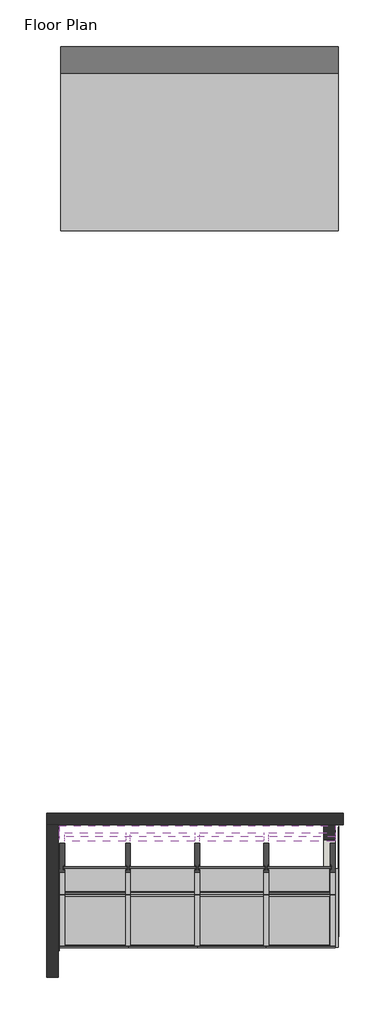
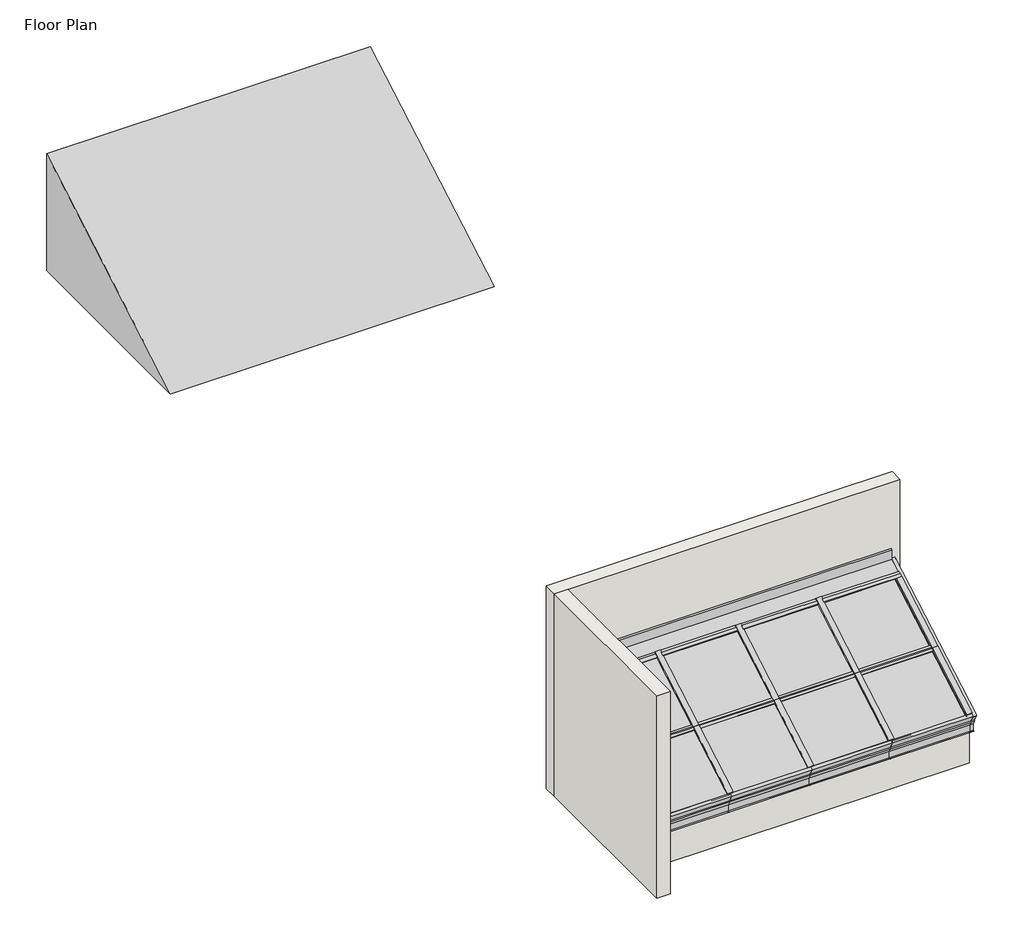
# One storey: 22 members, 8 plates, 6 proxies, 4 walls.
"""IFC4 building model written with IfcOpenShell, lengths in millimetres."""

import ifcopenshell
import ifcopenshell.guid

model = None  # the IFC model being written
_history = None  # IfcOwnerHistory: only IFC2X3 demands one
_inside = {}  # id of a spatial element -> (the spatial element, [elements in it])
_under = {}  # id of a project, library or spatial element -> (it, [spatial elements below it])
_declared = {}  # id of a project -> (the project, [libraries it declares])
_typed = {}  # id of a type object -> (the type object, [elements of that type])
_made_of = {}  # id of a material, layer set ... -> (it, [elements and type objects made of it])


def new_model(schema):
    """Start an empty IFC model of exactly this schema.

    Asked for "IFC4X3", IfcOpenShell would pick the latest addendum, in which some entities
    have other attributes; the version numbers below select the first issue.
    IFC2X3 requires an IfcOwnerHistory on every rooted entity: one is made here for all.
    """
    global model, _history
    if schema == "IFC4X3":
        model = ifcopenshell.file(schema_version=(4, 3, 0, 0))
    else:
        model = ifcopenshell.file(schema=schema)
    _inside.clear()
    _under.clear()
    _declared.clear()
    _typed.clear()
    _made_of.clear()
    _history = None
    if model.schema == "IFC2X3":
        org = make("IfcOrganization", Name="unknown")
        user = make(
            "IfcPersonAndOrganization",
            ThePerson=make("IfcPerson", FamilyName="unknown"),
            TheOrganization=org,
        )
        app = make(
            "IfcApplication",
            ApplicationDeveloper=org,
            Version="unknown",
            ApplicationFullName="unknown",
            ApplicationIdentifier="unknown",
        )
        _history = make(
            "IfcOwnerHistory",
            OwningUser=user,
            OwningApplication=app,
            ChangeAction="ADDED",
            CreationDate=0,
        )
    return model


def make(cls, **values):
    """One entity of the class cls with the attributes given. An attribute that is None is left unset."""
    return model.create_entity(
        cls, **{name: value for name, value in values.items() if value is not None}
    )


def rooted(cls, **values):
    """An entity with a GlobalId (a new one), such as an element, a storey or a relation."""
    return make(cls, GlobalId=ifcopenshell.guid.new(), OwnerHistory=_history, **values)


def si_unit(unit_type, name, prefix=None):
    """IfcSIUnit, for example si_unit("LENGTHUNIT", "METRE", prefix="MILLI")."""
    return make("IfcSIUnit", UnitType=unit_type, Prefix=prefix, Name=name)


def assignment(units):
    """IfcUnitAssignment: the units of a project."""
    return None if units is None else make("IfcUnitAssignment", Units=units)


def point(xyz):
    """IfcCartesianPoint."""
    return None if xyz is None else make("IfcCartesianPoint", Coordinates=xyz)


def direction(xyz):
    """IfcDirection."""
    return None if xyz is None else make("IfcDirection", DirectionRatios=xyz)


def frame(location, z_axis=None, x_axis=None):
    """IfcAxis2Placement3D, a coordinate frame: its origin and axes. An axis left out is left unset."""
    return make(
        "IfcAxis2Placement3D",
        Location=point(location),
        Axis=direction(z_axis),
        RefDirection=direction(x_axis),
    )


def origin():
    """The frame at (0, 0, 0) with its axes left unset."""
    return frame((0.0, 0.0, 0.0))


def origin_with_axes():
    """The frame at (0, 0, 0) with the z axis (0, 0, 1) and the x axis (1, 0, 0) written out."""
    return frame((0.0, 0.0, 0.0), z_axis=(0.0, 0.0, 1.0), x_axis=(1.0, 0.0, 0.0))


def place(relative_to, where):
    """IfcLocalPlacement: puts the frame where relative to a parent placement (None: the world)."""
    return make(
        "IfcLocalPlacement", PlacementRelTo=relative_to, RelativePlacement=where
    )


def context(
    kind, dimensions, precision=None, world=None, true_north=None, identifier=None
):
    """IfcGeometricRepresentationContext, for example the 3D "Model" context."""
    return make(
        "IfcGeometricRepresentationContext",
        ContextIdentifier=identifier,
        ContextType=kind,
        CoordinateSpaceDimension=dimensions,
        Precision=precision,
        WorldCoordinateSystem=world,
        TrueNorth=true_north,
    )


def project(units=None, contexts=None):
    """IfcProject with its units and contexts."""
    return rooted(
        "IfcProject",
        Name="project",
        RepresentationContexts=contexts,
        UnitsInContext=assignment(units),
    )


def spatial(cls, under=None, at=None, **own):
    """A site, building, storey or space (cls), placed at a placement, below another one or the project."""
    s = rooted(cls, ObjectPlacement=at, **own)
    if under is not None:
        _under.setdefault(under.id(), (under, []))[1].append(s)
    return s


def polyline(points):
    """IfcPolyline through the points."""
    return make("IfcPolyline", Points=[point(p) for p in points])


def outline(outer, holes=None, kind="AREA"):
    """IfcArbitraryClosedProfileDef: a profile drawn as a closed curve; with holes, ...WithVoids."""
    if holes is None:
        return make("IfcArbitraryClosedProfileDef", ProfileType=kind, OuterCurve=outer)
    return make(
        "IfcArbitraryProfileDefWithVoids",
        ProfileType=kind,
        OuterCurve=outer,
        InnerCurves=holes,
    )


def extrude(swept, where, along, depth):
    """IfcExtrudedAreaSolid: the profile swept, set in the frame where, extruded along a direction by depth."""
    return make(
        "IfcExtrudedAreaSolid",
        SweptArea=swept,
        Position=where,
        ExtrudedDirection=direction(along),
        Depth=depth,
    )


def faces_of(points, faces, orient=None, outer=None):
    """IfcFace entities. A face is a list of loops; a loop is a list of indices into points, from 0.

    orient and outer hold one flag for each loop. By default every Orientation is true, the
    first loop of a face is its IfcFaceOuterBound and the others are IfcFaceBound.
    """
    made = []
    for i, loops in enumerate(faces):
        bounds = []
        for j, loop in enumerate(loops):
            is_outer = j == 0 if outer is None else outer[i][j]
            bounds.append(
                make(
                    "IfcFaceOuterBound" if is_outer else "IfcFaceBound",
                    Bound=make("IfcPolyLoop", Polygon=[points[k] for k in loop]),
                    Orientation=True if orient is None else orient[i][j],
                )
            )
        made.append(make("IfcFace", Bounds=bounds))
    return made


def faceted_brep(points, faces, orient=None, outer=None, voids=None):
    """IfcFacetedBrep: a solid bounded by flat faces; with voids (closed shells), ...WithVoids."""
    shared = [point(p) for p in points]
    hull = make("IfcClosedShell", CfsFaces=faces_of(shared, faces, orient, outer))
    if voids is None:
        return make("IfcFacetedBrep", Outer=hull)
    return make(
        "IfcFacetedBrepWithVoids",
        Outer=hull,
        Voids=[
            make(cls, CfsFaces=faces_of(shared, fs, o, b)) for cls, fs, o, b in voids
        ],
    )


def shape(context_of_items, identifier, shape_type, items):
    """IfcShapeRepresentation: the items that make up one representation, for example the "Body"."""
    return make(
        "IfcShapeRepresentation",
        ContextOfItems=context_of_items,
        RepresentationIdentifier=identifier,
        RepresentationType=shape_type,
        Items=items,
    )


def source(mapping_origin, context_of_items, identifier, shape_type, items):
    """IfcRepresentationMap: a shape defined once, which mapped items show again and again."""
    return make(
        "IfcRepresentationMap",
        MappingOrigin=mapping_origin,
        MappedRepresentation=shape(context_of_items, identifier, shape_type, items),
    )


def transform(
    local_origin,
    x_axis=None,
    y_axis=None,
    z_axis=None,
    scale=None,
    scale2=None,
    scale3=None,
    uniform=True,
):
    """IfcCartesianTransformationOperator3D, or its non-uniform kind. x_axis, y_axis, z_axis: its Axis1, 2, 3."""
    if uniform:
        return make(
            "IfcCartesianTransformationOperator3D",
            Axis1=direction(x_axis),
            Axis2=direction(y_axis),
            LocalOrigin=point(local_origin),
            Scale=scale,
            Axis3=direction(z_axis),
        )
    return make(
        "IfcCartesianTransformationOperator3DnonUniform",
        Axis1=direction(x_axis),
        Axis2=direction(y_axis),
        LocalOrigin=point(local_origin),
        Scale=scale,
        Axis3=direction(z_axis),
        Scale2=scale2,
        Scale3=scale3,
    )


def mapped(mapping_source, mapping_target):
    """IfcMappedItem: shows the shape of a source again, moved by a transform."""
    return make(
        "IfcMappedItem", MappingSource=mapping_source, MappingTarget=mapping_target
    )


def made_of(thing, what):
    """Note that an element or type object is made of a material, layer set ...; save() writes the relation."""
    if what is not None:
        _made_of.setdefault(what.id(), (what, []))[1].append(thing)
    return thing


def element(
    cls,
    number,
    at=None,
    inside=None,
    cuts=None,
    type_object=None,
    material=None,
    context=None,
    identifier="Body",
    shape_type=None,
    held_by="IfcProductDefinitionShape",
    body=None,
    shapes=None,
    **own,
):
    """One element of the class cls, such as IfcWall. Its Tag is "e" and its number.

    at: its placement. inside: the storey or other place that contains it. cuts: it is an
    opening in that element (IfcRelVoidsElement). A single representation is given by context,
    identifier, shape_type and body (its items); several are given by shapes. held_by: the class
    of the entity that holds the representations. save() writes the other relations.
    """
    e = rooted(cls, Tag="e%d" % number, ObjectPlacement=at, **own)
    if body is not None:
        shapes = [shape(context, identifier, shape_type, body)]
    if shapes is not None:
        e.Representation = make(held_by, Representations=shapes)
    if inside is not None:
        _inside.setdefault(inside.id(), (inside, []))[1].append(e)
    if cuts is not None:
        rooted(
            "IfcRelVoidsElement", RelatingBuildingElement=cuts, RelatedOpeningElement=e
        )
    if type_object is not None:
        _typed.setdefault(type_object.id(), (type_object, []))[1].append(e)
    return made_of(e, material)


def aggregate(whole, parts):
    """IfcRelAggregates: a whole, such as a stair, and the parts it consists of."""
    return rooted("IfcRelAggregates", RelatingObject=whole, RelatedObjects=parts)


def save(model, path):
    """Write the relations noted so far, then the file.

    IfcRelAggregates (storeys below a building ...), IfcRelContainedInSpatialStructure (elements
    in a storey), IfcRelDefinesByType, IfcRelAssociatesMaterial and IfcRelDeclares: one each for
    every whole, place, type object, material and project.
    """
    for whole, parts in _under.values():
        aggregate(whole, parts)
    for where, things in _inside.values():
        rooted(
            "IfcRelContainedInSpatialStructure",
            RelatedElements=things,
            RelatingStructure=where,
        )
    for kind, things in _typed.values():
        rooted("IfcRelDefinesByType", RelatedObjects=things, RelatingType=kind)
    for what, things in _made_of.values():
        rooted("IfcRelAssociatesMaterial", RelatedObjects=things, RelatingMaterial=what)
    for by, libraries in _declared.values():
        rooted("IfcRelDeclares", RelatingContext=by, RelatedDefinitions=libraries)
    model.write(path)


def end_rafter_1_end_rafter_1_416929cb(model_context):
    return source(origin(), model_context, "Body", "Brep", [
        faceted_brep([(12038.6774557, -13726.1374876, 602.0717491), (11997.4768877, -13726.1374876, 602.0717491), (11997.4768877, -13725.3422981, 600.6944404), (12037.1271862, -13725.3422981, 600.6944404), (12037.1271862, -13590.2438687, 366.6970966), (12046.6038731, -13585.5055253, 358.4900451), (12047.7096289, -13586.0584032, 359.4476577), (12038.6774557, -13590.5744898, 367.2697492), (12038.6774557, -12118.3146568, 1530.3486933), (11997.4768877, -12118.3146568, 1530.3486933), (11997.4768877, -12118.3146568, 1528.5122817), (12037.1271862, -12118.3146568, 1528.5122817), (12037.1271862, -12118.3146568, 1216.5158234), (12046.6038731, -12118.3146568, 1205.573088), (12047.7096289, -12118.3146568, 1206.8499048), (12038.6774557, -12118.3146568, 1217.2793601)], [[[0, 1, 2, 3, 4, 5, 6, 7]], [[1, 0, 8, 9]], [[2, 1, 9, 10]], [[3, 2, 10, 11]], [[4, 3, 11, 12]], [[5, 4, 12, 13]], [[6, 5, 13, 14]], [[7, 6, 14, 15]], [[0, 7, 15, 8]], [[9, 8, 15, 14, 13, 12, 11, 10]]]),
    ])


def generic_models_1_generic_models_1_16edd065(model_context):
    return source(origin(), model_context, "Body", "SweptSolid", [
        extrude(outline(polyline([(-12256.8626701, 1450.731173), (-12305.3732572, 1534.7539746), (-12119.3068443, 1642.1794682), (-12119.3068443, 1530.1490661), (-12256.8626701, 1450.731173)])), frame((8339.8768877, 0.0, 0.0), z_axis=(1.0, 0.0, 0.0), x_axis=(0.0, 1.0, 0.0)), (0.0, 0.0, 1.0), 1.5748),
    ])


def generic_models_2_generic_models_2_2be81683(model_context):
    return source(origin(), model_context, "Body", "SweptSolid", [
        extrude(outline(polyline([(-12209.8155637, 1369.2431945), (-12256.9236171, 1450.8367363), (-12129.4113439, 1524.4559816), (-12129.4113439, 1638.6220886), (-12119.3068443, 1648.7265883), (-12119.3068443, 1333.5102694), (-12228.0720034, 1270.7146755), (-12266.1719937, 1336.7057945), (-12209.8155637, 1369.2431945)])), frame((8341.4516877, 0.0, 0.0), z_axis=(1.0, 0.0, 0.0), x_axis=(0.0, 1.0, 0.0)), (0.0, 0.0, 1.0), 3656.0252),
    ])


def generic_models_4_generic_models_4_59320cc0(model_context):
    return source(origin(), model_context, "Body", "SweptSolid", [
        extrude(outline(polyline([(0.0, -1.5748), (0.0, 0.0), (31.7499999, 0.0), (31.7499999, -1.5748), (0.0, -1.5748)])), frame((8339.8768877, -13730.3440967, 609.3578098), z_axis=(0.0, -0.5000000000000033, 0.8660254037844368), x_axis=(0.0, 0.8660254037844368, 0.5000000000000033)), (0.0, 0.0, 1.0), 88.9311676),
    ])


def sill_1_sill_1_649b32d0(model_context):
    return source(origin(), model_context, "Body", "SweptSolid", [
        extrude(outline(polyline([(-13651.9207902, 537.0246583), (-13679.4170967, 521.1496583), (-13680.5600967, 523.1293924), (-13691.5586194, 516.7793924), (-13662.1331978, 465.8130672), (-13662.1331978, 390.5601509), (-13671.113454, 381.5798948), (-13672.235986, 382.7024268), (-13663.7206978, 391.2177149), (-13663.7206978, 465.4130979), (-13693.7161862, 517.3668077), (-13681.3538467, 524.5042077), (-13717.5170967, 587.140794), (-13690.0207902, 603.015794), (-13651.9207902, 537.0246583)])), frame((11997.4768877, 0.0, 0.0), z_axis=(1.0, 0.0, 0.0), x_axis=(0.0, 1.0, 0.0)), (0.0, 0.0, 1.0), 39.6821609),
    ])


def rectangular_mullion_bms303_s_301_sill_fab702f6(model_context):
    return source(origin(), model_context, "Body", "SweptSolid", [
        extrude(outline(polyline([(-63.0045914, 138.509375), (-63.0045914, 136.223375), (-50.3045914, 136.223375), (-50.3045914, 195.0742181), (-12.6781332, 260.2451553), (-0.4108752, 263.5321572), (0.0, 261.9987499), (-11.6320999, 258.8819381), (-48.7297914, 194.6268517), (-48.7297914, 134.635875), (-63.0045914, 134.635875), (-63.0045914, 36.655375), (-94.7545914, 36.655375), (-94.7545914, 39.830375), (-83.6420914, 39.830375), (-83.6420914, 62.309375), (-94.7545914, 62.309375), (-94.7545914, 138.509375), (-63.0045914, 138.509375)])), frame((0.0, 0.0, -914.4), z_axis=(0.0, 0.0, 1.0), x_axis=(1.0, 0.0, 0.0)), (0.0, 0.0, 1.0), 914.4),
    ])


def rectangular_mullion_bms303_s_302_purlin_31696bff(model_context):
    return source(origin(), model_context, "Body", "SweptSolid", [
        extrude(outline(polyline([(-31.75, 138.839575), (31.75, 138.839575), (31.75, 62.309375), (15.065769, 62.309375), (15.065769, 39.830375), (31.7249979, 39.830375), (31.7249979, 33.734375), (4.9272021, 23.980775), (-4.9772064, 23.980775), (-31.7750021, 33.734375), (-31.7750021, 39.830375), (-14.2875, 39.830375), (-14.2875, 62.309375), (-31.75, 62.309375), (-31.75, 138.839575)])), frame((0.0, 0.0, -850.9), z_axis=(0.0, 0.0, 1.0), x_axis=(1.0, 0.0, 0.0)), (0.0, 0.0, 1.0), 850.9),
    ])


def rectangular_mullion_bms303_s_302_purlin_50bb4db7(model_context):
    return source(origin(), model_context, "Body", "SweptSolid", [
        extrude(outline(polyline([(-31.75, 138.839575), (31.75, 138.839575), (31.75, 62.309375), (15.065769, 62.309375), (15.065769, 39.830375), (31.7249979, 39.830375), (31.7249979, 33.734375), (4.9272021, 23.980775), (-4.9772064, 23.980775), (-31.7750021, 33.734375), (-31.7750021, 39.830375), (-14.2875, 39.830375), (-14.2875, 62.309375), (-31.75, 62.309375), (-31.75, 138.839575)])), frame((0.0, 0.0, -808.036738), z_axis=(0.0, 0.0, 1.0), x_axis=(1.0, 0.0, 0.0)), (0.0, 0.0, 1.0), 808.036738),
    ])


def rectangular_mullion_bms303_s_302_purlin_9a062029(model_context):
    return source(origin(), model_context, "Body", "SweptSolid", [
        extrude(outline(polyline([(-31.75, 138.839575), (31.75, 138.839575), (31.75, 62.309375), (15.065769, 62.309375), (15.065769, 39.830375), (31.7249979, 39.830375), (31.7249979, 33.734375), (4.9272021, 23.980775), (-4.9772064, 23.980775), (-31.7750021, 33.734375), (-31.7750021, 39.830375), (-14.2875, 39.830375), (-14.2875, 62.309375), (-31.75, 62.309375), (-31.75, 138.839575)])), frame((0.0, 0.0, -819.15), z_axis=(0.0, 0.0, 1.0), x_axis=(1.0, 0.0, 0.0)), (0.0, 0.0, 1.0), 819.15),
    ])


def rectangular_mullion_bms303_s_305_rafter_9bb63f69(model_context):
    return source(origin(), model_context, "Body", "SweptSolid", [
        extrude(outline(polyline([(-31.75, 77.371575), (-31.75, 214.709375), (31.75, 214.709375), (31.75, 77.371575), (23.8252, 77.371575), (23.8252, 62.309375), (12.7, 62.309375), (12.7, 39.830375), (31.75, 39.830375), (31.75, 23.955375), (-31.75, 23.955375), (-31.75, 39.855775), (-12.7, 39.855775), (-12.7, 62.309375), (-23.8252, 62.309375), (-23.8252, 77.371575), (-31.75, 77.371575)])), frame((0.0, 0.0, -785.1272189), z_axis=(0.0, 0.0, 1.0), x_axis=(1.0, 0.0, 0.0)), (0.0, 0.0, 1.0), 785.1272189),
    ])


def rectangular_mullion_bms303_s_305_rafter_2e954881(model_context):
    return source(origin(), model_context, "Body", "SweptSolid", [
        extrude(outline(polyline([(-31.75, 77.371575), (-31.75, 214.709375), (31.75, 214.709375), (31.75, 77.371575), (23.8252, 77.371575), (23.8252, 62.309375), (12.7, 62.309375), (12.7, 39.830375), (31.75, 39.830375), (31.75, 23.955375), (-31.75, 23.955375), (-31.75, 39.855775), (-12.7, 39.855775), (-12.7, 62.309375), (-23.8252, 62.309375), (-23.8252, 77.371575), (-31.75, 77.371575)])), frame((0.0, 0.0, -879.8818102), z_axis=(0.0, 0.0, 1.0), x_axis=(1.0, 0.0, 0.0)), (0.0, 0.0, 1.0), 879.8818102),
    ])


def rectangular_mullion_bms303_s_308_head_purlin_7104641a(model_context):
    return source(origin(), model_context, "Body", "SweptSolid", [
        extrude(outline(polyline([(-46.0375, 62.309375), (-65.0748, 62.309375), (-65.0748, 138.839575), (0.0, 138.839575), (0.0, 33.734375), (-26.8478, 23.980775), (-63.5, 23.980775), (-63.5, 39.830375), (-46.0375, 39.830375), (-46.0375, 62.309375)])), frame((0.0, 0.0, -882.65), z_axis=(0.0, 0.0, 1.0), x_axis=(1.0, 0.0, 0.0)), (0.0, 0.0, 1.0), 882.65),
    ])


def rectangular_mullion_bms303_s_308_head_purlin_08a8f70e(model_context):
    return source(origin(), model_context, "Body", "SweptSolid", [
        extrude(outline(polyline([(-46.0375, 62.309375), (-65.0748, 62.309375), (-65.0748, 138.839575), (0.0, 138.839575), (0.0, 33.734375), (-26.8478, 23.980775), (-63.5, 23.980775), (-63.5, 39.830375), (-46.0375, 39.830375), (-46.0375, 62.309375)])), frame((0.0, 0.0, -850.9), z_axis=(0.0, 0.0, 1.0), x_axis=(1.0, 0.0, 0.0)), (0.0, 0.0, 1.0), 850.9),
    ])


def rectangular_mullion_bms303_s_308_head_purlin_37875a1b(model_context):
    return source(origin(), model_context, "Body", "SweptSolid", [
        extrude(outline(polyline([(-46.0375, 62.309375), (-65.0748, 62.309375), (-65.0748, 138.839575), (0.0, 138.839575), (0.0, 33.734375), (-26.8478, 23.980775), (-63.5, 23.980775), (-63.5, 39.830375), (-46.0375, 39.830375), (-46.0375, 62.309375)])), frame((0.0, 0.0, -808.036738), z_axis=(0.0, 0.0, 1.0), x_axis=(1.0, 0.0, 0.0)), (0.0, 0.0, 1.0), 808.036738),
    ])


def rectangular_mullion_bms303_s_309_end_rafter_524dc61d(model_context):
    return source(origin(), model_context, "Body", "SweptSolid", [
        extrude(outline(polyline([(-11.113262, 214.709375), (-11.113262, 46.789975), (0.0, 46.789975), (0.0, -52.2757926), (-1.5748, -52.2757926), (-1.5748, 45.215175), (-11.113262, 45.215175), (-11.113262, 23.955375), (-74.613262, 23.955375), (-74.613262, 39.830375), (-55.563262, 39.830375), (-55.563262, 62.309375), (-66.688462, 62.309375), (-66.688462, 77.371575), (-74.613262, 77.371575), (-74.613262, 214.709375), (-11.113262, 214.709375)])), frame((0.0, 0.0, -785.1272189), z_axis=(0.0, 0.0, 1.0), x_axis=(1.0, 0.0, 0.0)), (0.0, 0.0, 1.0), 785.1272189),
    ])


def rectangular_mullion_bms303_s_309_end_rafter_244b0627(model_context):
    return source(origin(), model_context, "Body", "SweptSolid", [
        extrude(outline(polyline([(-11.113262, 214.709375), (-11.113262, 46.789975), (0.0, 46.789975), (0.0, -52.2757926), (-1.5748, -52.2757926), (-1.5748, 45.215175), (-11.113262, 45.215175), (-11.113262, 23.955375), (-74.613262, 23.955375), (-74.613262, 39.830375), (-55.563262, 39.830375), (-55.563262, 62.309375), (-66.688462, 62.309375), (-66.688462, 77.371575), (-74.613262, 77.371575), (-74.613262, 214.709375), (-11.113262, 214.709375)])), frame((0.0, 0.0, -879.8818102), z_axis=(0.0, 0.0, 1.0), x_axis=(1.0, 0.0, 0.0)), (0.0, 0.0, 1.0), 879.8818102),
    ])


def rectangular_mullion_bms303_s_316_end_rafter_84ccf04d(model_context):
    return source(origin(), model_context, "Body", "SweptSolid", [
        extrude(outline(polyline([(-63.5, 214.6101562), (0.0, 214.6101562), (0.0, 23.8561562), (-63.5, 23.8561562), (-63.5, 39.7311562), (-44.45, 39.7311562), (-44.45, 62.2101563), (-55.5752, 62.2101563), (-55.5752, 77.2723562), (-63.5, 77.2723562), (-63.5, 214.6101562)])), frame((0.0, 0.0, -785.1272189), z_axis=(0.0, 0.0, 1.0), x_axis=(1.0, 0.0, 0.0)), (0.0, 0.0, 1.0), 785.1272189),
    ])


def rectangular_mullion_bms303_s_316_end_rafter_391960c7(model_context):
    return source(origin(), model_context, "Body", "SweptSolid", [
        extrude(outline(polyline([(-63.5, 214.6101562), (0.0, 214.6101562), (0.0, 23.8561562), (-63.5, 23.8561562), (-63.5, 39.7311562), (-44.45, 39.7311562), (-44.45, 62.2101563), (-55.5752, 62.2101563), (-55.5752, 77.2723562), (-63.5, 77.2723562), (-63.5, 214.6101562)])), frame((0.0, 0.0, -814.8070102), z_axis=(0.0, 0.0, 1.0), x_axis=(1.0, 0.0, 0.0)), (0.0, 0.0, 1.0), 814.8070102),
    ])


def plate_14ed9eab(model_context):
    return source(origin(), model_context, "Body", "SweptSolid", [
        extrude(outline(polyline([(423.068369, 58.8264), (411.6157724, 58.8264), (411.6157724, 63.5), (423.068369, 63.5), (423.068369, 58.8264)])), origin_with_axes(), (0.0, 0.0, 1.0), 781.9522189),
        extrude(outline(polyline([(408.8490451, 45.212), (422.2527656, 45.212), (422.2527656, 41.021), (408.8490451, 41.021), (408.8490451, 45.212)])), origin_with_axes(), (0.0, 0.0, 1.0), 781.9522189),
        extrude(outline(polyline([(-411.5505603, 63.5), (-411.5505603, 58.8264), (-423.068369, 58.8264), (-423.068369, 63.5), (-411.5505603, 63.5)])), origin_with_axes(), (0.0, 0.0, 1.0), 781.9522189),
        extrude(outline(polyline([(-408.8593202, 45.212), (-408.8593202, 41.021), (-422.2527656, 41.021), (-422.2527656, 45.212), (-408.8593202, 45.212)])), origin_with_axes(), (0.0, 0.0, 1.0), 781.9522189),
        extrude(outline(polyline([(423.068369, 63.5), (423.068369, 58.8264), (-423.068369, 58.8264), (-423.068369, 63.5), (423.068369, 63.5)])), origin_with_axes(), (0.0, 0.0, 1.0), 11.444324),
        extrude(outline(polyline([(423.068369, 45.212), (423.068369, 41.021), (-423.068369, 41.021), (-423.068369, 45.212), (423.068369, 45.212)])), origin_with_axes(), (0.0, 0.0, 1.0), 14.1703966),
        extrude(outline(polyline([(423.068369, 63.5), (423.068369, 58.8264), (-423.068369, 58.8264), (-423.068369, 63.5), (423.068369, 63.5)])), frame((0.0, 0.0, 770.2871162), z_axis=(0.0, 0.0, 1.0), x_axis=(1.0, 0.0, 0.0)), (0.0, 0.0, 1.0), 11.6651026),
        extrude(outline(polyline([(423.068369, 45.212), (423.068369, 41.021), (-423.068369, 41.021), (-423.068369, 45.212), (423.068369, 45.212)])), frame((0.0, 0.0, 770.2871162), z_axis=(0.0, 0.0, 1.0), x_axis=(1.0, 0.0, 0.0)), (0.0, 0.0, 1.0), 11.6651026),
        extrude(outline(polyline([(423.068369, 58.8264), (423.068369, 45.212), (-423.068369, 45.212), (-423.068369, 58.8264), (423.068369, 58.8264)])), origin_with_axes(), (0.0, 0.0, 1.0), 781.9522189),
    ])


def plate_893d64d0(model_context):
    return source(origin(), model_context, "Body", "SweptSolid", [
        extrude(outline(polyline([(444.5, 58.8264), (433.0474034, 58.8264), (433.0474034, 63.5), (444.5, 63.5), (444.5, 58.8264)])), origin_with_axes(), (0.0, 0.0, 1.0), 781.9522189),
        extrude(outline(polyline([(430.2806761, 45.212), (443.6843966, 45.212), (443.6843966, 41.021), (430.2806761, 41.021), (430.2806761, 45.212)])), origin_with_axes(), (0.0, 0.0, 1.0), 781.9522189),
        extrude(outline(polyline([(-432.9821913, 63.5), (-432.9821913, 58.8264), (-444.5, 58.8264), (-444.5, 63.5), (-432.9821913, 63.5)])), origin_with_axes(), (0.0, 0.0, 1.0), 781.9522189),
        extrude(outline(polyline([(-430.2909512, 45.212), (-430.2909512, 41.021), (-443.6843966, 41.021), (-443.6843966, 45.212), (-430.2909512, 45.212)])), origin_with_axes(), (0.0, 0.0, 1.0), 781.9522189),
        extrude(outline(polyline([(444.5, 63.5), (444.5, 58.8264), (-444.5, 58.8264), (-444.5, 63.5), (444.5, 63.5)])), origin_with_axes(), (0.0, 0.0, 1.0), 11.444324),
        extrude(outline(polyline([(444.5, 45.212), (444.5, 41.021), (-444.5, 41.021), (-444.5, 45.212), (444.5, 45.212)])), origin_with_axes(), (0.0, 0.0, 1.0), 14.1703966),
        extrude(outline(polyline([(444.5, 63.5), (444.5, 58.8264), (-444.5, 58.8264), (-444.5, 63.5), (444.5, 63.5)])), frame((0.0, 0.0, 770.2871162), z_axis=(0.0, 0.0, 1.0), x_axis=(1.0, 0.0, 0.0)), (0.0, 0.0, 1.0), 11.6651026),
        extrude(outline(polyline([(444.5, 45.212), (444.5, 41.021), (-444.5, 41.021), (-444.5, 45.212), (444.5, 45.212)])), frame((0.0, 0.0, 770.2871162), z_axis=(0.0, 0.0, 1.0), x_axis=(1.0, 0.0, 0.0)), (0.0, 0.0, 1.0), 11.6651026),
        extrude(outline(polyline([(444.5, 58.8264), (444.5, 45.212), (-444.5, 45.212), (-444.5, 58.8264), (444.5, 58.8264)])), origin_with_axes(), (0.0, 0.0, 1.0), 781.9522189),
    ])


def plate_7af0b001(model_context):
    return source(origin(), model_context, "Body", "SweptSolid", [
        extrude(outline(polyline([(423.0624, 58.8264), (411.6098034, 58.8264), (411.6098034, 63.5), (423.0624, 63.5), (423.0624, 58.8264)])), origin_with_axes(), (0.0, 0.0, 1.0), 781.9522189),
        extrude(outline(polyline([(408.8430761, 45.212), (422.2467966, 45.212), (422.2467966, 41.021), (408.8430761, 41.021), (408.8430761, 45.212)])), origin_with_axes(), (0.0, 0.0, 1.0), 781.9522189),
        extrude(outline(polyline([(-411.5445913, 63.5), (-411.5445913, 58.8264), (-423.0624, 58.8264), (-423.0624, 63.5), (-411.5445913, 63.5)])), origin_with_axes(), (0.0, 0.0, 1.0), 781.9522189),
        extrude(outline(polyline([(-408.8533512, 45.212), (-408.8533512, 41.021), (-422.2467966, 41.021), (-422.2467966, 45.212), (-408.8533512, 45.212)])), origin_with_axes(), (0.0, 0.0, 1.0), 781.9522189),
        extrude(outline(polyline([(423.0624, 63.5), (423.0624, 58.8264), (-423.0624, 58.8264), (-423.0624, 63.5), (423.0624, 63.5)])), origin_with_axes(), (0.0, 0.0, 1.0), 11.444324),
        extrude(outline(polyline([(423.0624, 45.212), (423.0624, 41.021), (-423.0624, 41.021), (-423.0624, 45.212), (423.0624, 45.212)])), origin_with_axes(), (0.0, 0.0, 1.0), 14.1703966),
        extrude(outline(polyline([(423.0624, 63.5), (423.0624, 58.8264), (-423.0624, 58.8264), (-423.0624, 63.5), (423.0624, 63.5)])), frame((0.0, 0.0, 770.2871162), z_axis=(0.0, 0.0, 1.0), x_axis=(1.0, 0.0, 0.0)), (0.0, 0.0, 1.0), 11.6651026),
        extrude(outline(polyline([(423.0624, 45.212), (423.0624, 41.021), (-423.0624, 41.021), (-423.0624, 45.212), (423.0624, 45.212)])), frame((0.0, 0.0, 770.2871162), z_axis=(0.0, 0.0, 1.0), x_axis=(1.0, 0.0, 0.0)), (0.0, 0.0, 1.0), 11.6651026),
        extrude(outline(polyline([(423.0624, 58.8264), (423.0624, 45.212), (-423.0624, 45.212), (-423.0624, 58.8264), (423.0624, 58.8264)])), origin_with_axes(), (0.0, 0.0, 1.0), 781.9522189),
    ])


def plate_077f5afb(model_context):
    return source(origin(), model_context, "Body", "SweptSolid", [
        extrude(outline(polyline([(423.068369, 58.8264), (411.6157724, 58.8264), (411.6157724, 63.5), (423.068369, 63.5), (423.068369, 58.8264)])), origin_with_axes(), (0.0, 0.0, 1.0), 818.7785413),
        extrude(outline(polyline([(408.8490451, 45.212), (422.2527656, 45.212), (422.2527656, 41.021), (408.8490451, 41.021), (408.8490451, 45.212)])), origin_with_axes(), (0.0, 0.0, 1.0), 818.7785413),
        extrude(outline(polyline([(-411.5505603, 63.5), (-411.5505603, 58.8264), (-423.068369, 58.8264), (-423.068369, 63.5), (-411.5505603, 63.5)])), origin_with_axes(), (0.0, 0.0, 1.0), 818.7785413),
        extrude(outline(polyline([(-408.8593202, 45.212), (-408.8593202, 41.021), (-422.2527656, 41.021), (-422.2527656, 45.212), (-408.8593202, 45.212)])), origin_with_axes(), (0.0, 0.0, 1.0), 818.7785413),
        extrude(outline(polyline([(423.068369, 63.5), (423.068369, 58.8264), (-423.068369, 58.8264), (-423.068369, 63.5), (423.068369, 63.5)])), origin_with_axes(), (0.0, 0.0, 1.0), 11.444324),
        extrude(outline(polyline([(423.068369, 45.212), (423.068369, 41.021), (-423.068369, 41.021), (-423.068369, 45.212), (423.068369, 45.212)])), origin_with_axes(), (0.0, 0.0, 1.0), 14.1703966),
        extrude(outline(polyline([(423.068369, 63.5), (423.068369, 58.8264), (-423.068369, 58.8264), (-423.068369, 63.5), (423.068369, 63.5)])), frame((0.0, 0.0, 807.1134386), z_axis=(0.0, 0.0, 1.0), x_axis=(1.0, 0.0, 0.0)), (0.0, 0.0, 1.0), 11.6651026),
        extrude(outline(polyline([(423.068369, 45.212), (423.068369, 41.021), (-423.068369, 41.021), (-423.068369, 45.212), (423.068369, 45.212)])), frame((0.0, 0.0, 807.1134386), z_axis=(0.0, 0.0, 1.0), x_axis=(1.0, 0.0, 0.0)), (0.0, 0.0, 1.0), 11.6651026),
        extrude(outline(polyline([(423.068369, 58.8264), (423.068369, 45.212), (-423.068369, 45.212), (-423.068369, 58.8264), (423.068369, 58.8264)])), origin_with_axes(), (0.0, 0.0, 1.0), 818.7785413),
    ])


def plate_d25a1f91(model_context):
    return source(origin(), model_context, "Body", "SweptSolid", [
        extrude(outline(polyline([(444.5, 58.8264), (433.0474034, 58.8264), (433.0474034, 63.5), (444.5, 63.5), (444.5, 58.8264)])), origin_with_axes(), (0.0, 0.0, 1.0), 818.7785413),
        extrude(outline(polyline([(430.2806761, 45.212), (443.6843966, 45.212), (443.6843966, 41.021), (430.2806761, 41.021), (430.2806761, 45.212)])), origin_with_axes(), (0.0, 0.0, 1.0), 818.7785413),
        extrude(outline(polyline([(-432.9821913, 63.5), (-432.9821913, 58.8264), (-444.5, 58.8264), (-444.5, 63.5), (-432.9821913, 63.5)])), origin_with_axes(), (0.0, 0.0, 1.0), 818.7785413),
        extrude(outline(polyline([(-430.2909512, 45.212), (-430.2909512, 41.021), (-443.6843966, 41.021), (-443.6843966, 45.212), (-430.2909512, 45.212)])), origin_with_axes(), (0.0, 0.0, 1.0), 818.7785413),
        extrude(outline(polyline([(444.5, 63.5), (444.5, 58.8264), (-444.5, 58.8264), (-444.5, 63.5), (444.5, 63.5)])), origin_with_axes(), (0.0, 0.0, 1.0), 11.444324),
        extrude(outline(polyline([(444.5, 45.212), (444.5, 41.021), (-444.5, 41.021), (-444.5, 45.212), (444.5, 45.212)])), origin_with_axes(), (0.0, 0.0, 1.0), 14.1703966),
        extrude(outline(polyline([(444.5, 63.5), (444.5, 58.8264), (-444.5, 58.8264), (-444.5, 63.5), (444.5, 63.5)])), frame((0.0, 0.0, 807.1134386), z_axis=(0.0, 0.0, 1.0), x_axis=(1.0, 0.0, 0.0)), (0.0, 0.0, 1.0), 11.6651026),
        extrude(outline(polyline([(444.5, 45.212), (444.5, 41.021), (-444.5, 41.021), (-444.5, 45.212), (444.5, 45.212)])), frame((0.0, 0.0, 807.1134386), z_axis=(0.0, 0.0, 1.0), x_axis=(1.0, 0.0, 0.0)), (0.0, 0.0, 1.0), 11.6651026),
        extrude(outline(polyline([(444.5, 58.8264), (444.5, 45.212), (-444.5, 45.212), (-444.5, 58.8264), (444.5, 58.8264)])), origin_with_axes(), (0.0, 0.0, 1.0), 818.7785413),
    ])


def plate_3e52206a(model_context):
    return source(origin(), model_context, "Body", "SweptSolid", [
        extrude(outline(polyline([(423.0624, 58.8264), (411.6098034, 58.8264), (411.6098034, 63.5), (423.0624, 63.5), (423.0624, 58.8264)])), origin_with_axes(), (0.0, 0.0, 1.0), 818.7785413),
        extrude(outline(polyline([(408.8430761, 45.212), (422.2467966, 45.212), (422.2467966, 41.021), (408.8430761, 41.021), (408.8430761, 45.212)])), origin_with_axes(), (0.0, 0.0, 1.0), 818.7785413),
        extrude(outline(polyline([(-411.5445913, 63.5), (-411.5445913, 58.8264), (-423.0624, 58.8264), (-423.0624, 63.5), (-411.5445913, 63.5)])), origin_with_axes(), (0.0, 0.0, 1.0), 818.7785413),
        extrude(outline(polyline([(-408.8533512, 45.212), (-408.8533512, 41.021), (-422.2467966, 41.021), (-422.2467966, 45.212), (-408.8533512, 45.212)])), origin_with_axes(), (0.0, 0.0, 1.0), 818.7785413),
        extrude(outline(polyline([(423.0624, 63.5), (423.0624, 58.8264), (-423.0624, 58.8264), (-423.0624, 63.5), (423.0624, 63.5)])), origin_with_axes(), (0.0, 0.0, 1.0), 11.444324),
        extrude(outline(polyline([(423.0624, 45.212), (423.0624, 41.021), (-423.0624, 41.021), (-423.0624, 45.212), (423.0624, 45.212)])), origin_with_axes(), (0.0, 0.0, 1.0), 14.1703966),
        extrude(outline(polyline([(423.0624, 63.5), (423.0624, 58.8264), (-423.0624, 58.8264), (-423.0624, 63.5), (423.0624, 63.5)])), frame((0.0, 0.0, 807.1134386), z_axis=(0.0, 0.0, 1.0), x_axis=(1.0, 0.0, 0.0)), (0.0, 0.0, 1.0), 11.6651026),
        extrude(outline(polyline([(423.0624, 45.212), (423.0624, 41.021), (-423.0624, 41.021), (-423.0624, 45.212), (423.0624, 45.212)])), frame((0.0, 0.0, 807.1134386), z_axis=(0.0, 0.0, 1.0), x_axis=(1.0, 0.0, 0.0)), (0.0, 0.0, 1.0), 11.6651026),
        extrude(outline(polyline([(423.0624, 58.8264), (423.0624, 45.212), (-423.0624, 45.212), (-423.0624, 58.8264), (423.0624, 58.8264)])), origin_with_axes(), (0.0, 0.0, 1.0), 818.7785413),
    ])


model = new_model("IFC4")

# Units and contexts
model_context = context("Model", 3, world=origin())
ifc_project = project(units=[si_unit("LENGTHUNIT", "METRE", prefix="MILLI")], contexts=[model_context])

# Site, building, storey
site = spatial("IfcSite", under=ifc_project)
building = spatial("IfcBuilding", under=site)
storey = spatial("IfcBuildingStorey", under=building, Name="Floor Plan", Elevation=0.0)

# Proxies
placement = place(None, origin())
end_rafter_1_end_rafter_1_shape = end_rafter_1_end_rafter_1_416929cb(model_context)
element("IfcBuildingElementProxy", 1, Name="End Rafter 1 : End Rafter 1", ObjectType="End Rafter 1 : End Rafter 1", at=placement, inside=storey, context=model_context, shape_type="MappedRepresentation", body=[
    mapped(end_rafter_1_end_rafter_1_shape, transform((0.0, 0.0, 0.0), x_axis=(1.0, 0.0, 0.0), y_axis=(0.0, 1.0, 0.0), z_axis=(0.0, 0.0, 1.0))),
])
generic_models_1_generic_models_1_shape = generic_models_1_generic_models_1_16edd065(model_context)
element("IfcBuildingElementProxy", 2, Name="Generic Models 1 : Generic Models 1", ObjectType="Generic Models 1 : Generic Models 1", at=placement, inside=storey, context=model_context, shape_type="MappedRepresentation", body=[
    mapped(generic_models_1_generic_models_1_shape, transform((0.0, 0.0, 0.0), x_axis=(1.0, 0.0, 0.0), y_axis=(0.0, 1.0, 0.0), z_axis=(0.0, 0.0, 1.0))),
])
generic_models_2_generic_models_2_shape = generic_models_2_generic_models_2_2be81683(model_context)
element("IfcBuildingElementProxy", 3, Name="Generic Models 2 : Generic Models 2", ObjectType="Generic Models 2 : Generic Models 2", at=placement, inside=storey, context=model_context, shape_type="MappedRepresentation", body=[
    mapped(generic_models_2_generic_models_2_shape, transform((0.0, 0.0, 0.0), x_axis=(1.0, 0.0, 0.0), y_axis=(0.0, 1.0, 0.0), z_axis=(0.0, 0.0, 1.0))),
])
generic_models_4_generic_models_4_shape = generic_models_4_generic_models_4_59320cc0(model_context)
element("IfcBuildingElementProxy", 4, Name="Generic Models 4 : Generic Models 4", ObjectType="Generic Models 4 : Generic Models 4", at=placement, inside=storey, context=model_context, shape_type="MappedRepresentation", body=[
    mapped(generic_models_4_generic_models_4_shape, transform((0.0, 0.0, 0.0), x_axis=(1.0, 0.0, 0.0), y_axis=(0.0, 1.0, 0.0), z_axis=(0.0, 0.0, 1.0))),
])
element("IfcBuildingElementProxy", 5, Name="Mass 2 : Mass 2", ObjectType="Mass 2 : Mass 2", at=placement, inside=storey, context=model_context, shape_type="SweptSolid", body=[
    extrude(outline(polyline([(-4237.2955157, 0.0), (-1798.8955157, 1407.8108964), (-1798.8955157, 0.0), (-4237.2955157, 0.0)])), frame((8360.0346056, 0.0, 0.0), z_axis=(1.0, 0.0, 0.0), x_axis=(0.0, 1.0, 0.0)), (0.0, 0.0, 1.0), 3677.4182543),
])
sill_1_sill_1_shape = sill_1_sill_1_649b32d0(model_context)
element("IfcBuildingElementProxy", 6, Name="Sill 1 : Sill 1", ObjectType="Sill 1 : Sill 1", at=placement, inside=storey, context=model_context, shape_type="MappedRepresentation", body=[
    mapped(sill_1_sill_1_shape, transform((0.0, 0.0, 0.0), x_axis=(1.0, 0.0, 0.0), y_axis=(0.0, 1.0, 0.0), z_axis=(0.0, 0.0, 1.0))),
])

# Members
rectangular_mullion_bms303_s_301_sill_shape = rectangular_mullion_bms303_s_301_sill_fab702f6(model_context)
element("IfcMember", 7, ObjectType="Rectangular Mullion : BMS303-S-301-SILL", at=placement, inside=storey, context=model_context, shape_type="MappedRepresentation", body=[
    mapped(rectangular_mullion_bms303_s_301_sill_shape, transform((9254.2768877, -13803.2353609, 609.6), x_axis=(0.0, -0.8660254037844395, -0.49999999999999867), y_axis=(0.0, 0.49999999999999867, -0.8660254037844395), z_axis=(1.0, 0.0, 0.0))),
])
element("IfcMember", 8, ObjectType="Rectangular Mullion : BMS303-S-301-SILL", at=placement, inside=storey, context=model_context, shape_type="MappedRepresentation", body=[
    mapped(rectangular_mullion_bms303_s_301_sill_shape, transform((10168.6768877, -13803.2353609, 609.6), x_axis=(0.0, -0.8660254037844395, -0.49999999999999867), y_axis=(0.0, 0.49999999999999867, -0.8660254037844395), z_axis=(1.0, 0.0, 0.0))),
])
element("IfcMember", 9, ObjectType="Rectangular Mullion : BMS303-S-301-SILL", at=placement, inside=storey, context=model_context, shape_type="MappedRepresentation", body=[
    mapped(rectangular_mullion_bms303_s_301_sill_shape, transform((11083.0768877, -13803.2353609, 609.6), x_axis=(0.0, -0.8660254037844395, -0.49999999999999867), y_axis=(0.0, 0.49999999999999867, -0.8660254037844395), z_axis=(1.0, 0.0, 0.0))),
])
element("IfcMember", 10, ObjectType="Rectangular Mullion : BMS303-S-301-SILL", at=placement, inside=storey, context=model_context, shape_type="MappedRepresentation", body=[
    mapped(rectangular_mullion_bms303_s_301_sill_shape, transform((11997.4768877, -13803.2353609, 609.6), x_axis=(0.0, -0.8660254037844395, -0.49999999999999867), y_axis=(0.0, 0.49999999999999867, -0.8660254037844395), z_axis=(1.0, 0.0, 0.0))),
])
rectangular_mullion_bms303_s_302_purlin_shape = rectangular_mullion_bms303_s_302_purlin_31696bff(model_context)
element("IfcMember", 11, ObjectType="Rectangular Mullion : BMS303-S-302-PURLIN", at=placement, inside=storey, context=model_context, shape_type="MappedRepresentation", body=[
    mapped(rectangular_mullion_bms303_s_302_purlin_shape, transform((10200.4268877, -13041.2353609, 1049.5409051), x_axis=(0.0, 0.8660254037844395, 0.49999999999999867), y_axis=(0.0, 0.49999999999999867, -0.8660254037844395), z_axis=(-1.0, 0.0, 0.0))),
])
element("IfcMember", 12, ObjectType="Rectangular Mullion : BMS303-S-302-PURLIN", at=placement, inside=storey, context=model_context, shape_type="MappedRepresentation", body=[
    mapped(rectangular_mullion_bms303_s_302_purlin_shape, transform((9286.0268877, -13041.2353609, 1049.5409051), x_axis=(0.0, 0.8660254037844395, 0.49999999999999867), y_axis=(0.0, 0.49999999999999867, -0.8660254037844395), z_axis=(-1.0, 0.0, 0.0))),
])
rectangular_mullion_bms303_s_302_purlin_2_shape = rectangular_mullion_bms303_s_302_purlin_50bb4db7(model_context)
element("IfcMember", 13, ObjectType="Rectangular Mullion : BMS303-S-302-PURLIN", at=placement, inside=storey, context=model_context, shape_type="MappedRepresentation", body=[
    mapped(rectangular_mullion_bms303_s_302_purlin_2_shape, transform((8414.4901497, -13041.2353609, 1049.5409051), x_axis=(0.0, 0.8660254037844395, 0.49999999999999867), y_axis=(0.0, 0.49999999999999867, -0.8660254037844395), z_axis=(-1.0, 0.0, 0.0))),
])
rectangular_mullion_bms303_s_302_purlin_3_shape = rectangular_mullion_bms303_s_302_purlin_9a062029(model_context)
element("IfcMember", 14, ObjectType="Rectangular Mullion : BMS303-S-302-PURLIN", at=placement, inside=storey, context=model_context, shape_type="MappedRepresentation", body=[
    mapped(rectangular_mullion_bms303_s_302_purlin_3_shape, transform((11114.8268877, -13041.2353609, 1049.5409051), x_axis=(0.0, 0.8660254037844395, 0.49999999999999867), y_axis=(0.0, 0.49999999999999867, -0.8660254037844395), z_axis=(-1.0, 0.0, 0.0))),
])
rectangular_mullion_bms303_s_305_rafter_shape = rectangular_mullion_bms303_s_305_rafter_9bb63f69(model_context)
element("IfcMember", 15, ObjectType="Rectangular Mullion : BMS303-S-305-RAFTER", at=placement, inside=storey, context=model_context, shape_type="MappedRepresentation", body=[
    mapped(rectangular_mullion_bms303_s_305_rafter_shape, transform((9254.2768877, -13041.2353609, 1049.5409051), x_axis=(1.0, 0.0, 0.0), y_axis=(0.0, 0.49999999999999867, -0.8660254037844395), z_axis=(0.0, 0.8660254037844395, 0.49999999999999867))),
])
element("IfcMember", 16, ObjectType="Rectangular Mullion : BMS303-S-305-RAFTER", at=placement, inside=storey, context=model_context, shape_type="MappedRepresentation", body=[
    mapped(rectangular_mullion_bms303_s_305_rafter_shape, transform((10168.6768877, -13041.2353609, 1049.5409051), x_axis=(1.0, 0.0, 0.0), y_axis=(0.0, 0.49999999999999867, -0.8660254037844395), z_axis=(0.0, 0.8660254037844395, 0.49999999999999867))),
])
element("IfcMember", 17, ObjectType="Rectangular Mullion : BMS303-S-305-RAFTER", at=placement, inside=storey, context=model_context, shape_type="MappedRepresentation", body=[
    mapped(rectangular_mullion_bms303_s_305_rafter_shape, transform((11083.0768877, -13041.2353609, 1049.5409051), x_axis=(1.0, 0.0, 0.0), y_axis=(0.0, 0.49999999999999867, -0.8660254037844395), z_axis=(0.0, 0.8660254037844395, 0.49999999999999867))),
])
rectangular_mullion_bms303_s_305_rafter_2_shape = rectangular_mullion_bms303_s_305_rafter_2e954881(model_context)
element("IfcMember", 18, ObjectType="Rectangular Mullion : BMS303-S-305-RAFTER", at=placement, inside=storey, context=model_context, shape_type="MappedRepresentation", body=[
    mapped(rectangular_mullion_bms303_s_305_rafter_2_shape, transform((9254.2768877, -12279.2353609, 1489.4818102), x_axis=(1.0, 0.0, 0.0), y_axis=(0.0, 0.49999999999999867, -0.8660254037844395), z_axis=(0.0, 0.8660254037844395, 0.49999999999999867))),
])
element("IfcMember", 19, ObjectType="Rectangular Mullion : BMS303-S-305-RAFTER", at=placement, inside=storey, context=model_context, shape_type="MappedRepresentation", body=[
    mapped(rectangular_mullion_bms303_s_305_rafter_2_shape, transform((10168.6768877, -12279.2353609, 1489.4818102), x_axis=(1.0, 0.0, 0.0), y_axis=(0.0, 0.49999999999999867, -0.8660254037844395), z_axis=(0.0, 0.8660254037844395, 0.49999999999999867))),
])
element("IfcMember", 20, ObjectType="Rectangular Mullion : BMS303-S-305-RAFTER", at=placement, inside=storey, context=model_context, shape_type="MappedRepresentation", body=[
    mapped(rectangular_mullion_bms303_s_305_rafter_2_shape, transform((11083.0768877, -12279.2353609, 1489.4818102), x_axis=(1.0, 0.0, 0.0), y_axis=(0.0, 0.49999999999999867, -0.8660254037844395), z_axis=(0.0, 0.8660254037844395, 0.49999999999999867))),
])
rectangular_mullion_bms303_s_308_head_purlin_shape = rectangular_mullion_bms303_s_308_head_purlin_7104641a(model_context)
element("IfcMember", 21, ObjectType="Rectangular Mullion : BMS303-S-308-HEAD PURLIN", at=placement, inside=storey, context=model_context, shape_type="MappedRepresentation", body=[
    mapped(rectangular_mullion_bms303_s_308_head_purlin_shape, transform((11114.8268877, -12279.2353609, 1489.4818102), x_axis=(0.0, 0.8660254037844395, 0.49999999999999867), y_axis=(0.0, 0.49999999999999867, -0.8660254037844395), z_axis=(-1.0, 0.0, 0.0))),
])
rectangular_mullion_bms303_s_308_head_purlin_2_shape = rectangular_mullion_bms303_s_308_head_purlin_08a8f70e(model_context)
element("IfcMember", 22, ObjectType="Rectangular Mullion : BMS303-S-308-HEAD PURLIN", at=placement, inside=storey, context=model_context, shape_type="MappedRepresentation", body=[
    mapped(rectangular_mullion_bms303_s_308_head_purlin_2_shape, transform((9286.0268877, -12279.2353609, 1489.4818102), x_axis=(0.0, 0.8660254037844395, 0.49999999999999867), y_axis=(0.0, 0.49999999999999867, -0.8660254037844395), z_axis=(-1.0, 0.0, 0.0))),
])
element("IfcMember", 23, ObjectType="Rectangular Mullion : BMS303-S-308-HEAD PURLIN", at=placement, inside=storey, context=model_context, shape_type="MappedRepresentation", body=[
    mapped(rectangular_mullion_bms303_s_308_head_purlin_2_shape, transform((10200.4268877, -12279.2353609, 1489.4818102), x_axis=(0.0, 0.8660254037844395, 0.49999999999999867), y_axis=(0.0, 0.49999999999999867, -0.8660254037844395), z_axis=(-1.0, 0.0, 0.0))),
])
rectangular_mullion_bms303_s_308_head_purlin_3_shape = rectangular_mullion_bms303_s_308_head_purlin_37875a1b(model_context)
element("IfcMember", 24, ObjectType="Rectangular Mullion : BMS303-S-308-HEAD PURLIN", at=placement, inside=storey, context=model_context, shape_type="MappedRepresentation", body=[
    mapped(rectangular_mullion_bms303_s_308_head_purlin_3_shape, transform((8414.4901497, -12279.2353609, 1489.4818102), x_axis=(0.0, 0.8660254037844395, 0.49999999999999867), y_axis=(0.0, 0.49999999999999867, -0.8660254037844395), z_axis=(-1.0, 0.0, 0.0))),
])
rectangular_mullion_bms303_s_309_end_rafter_shape = rectangular_mullion_bms303_s_309_end_rafter_524dc61d(model_context)
element("IfcMember", 25, ObjectType="Rectangular Mullion : BMS303-S-309-END RAFTER", at=placement, inside=storey, context=model_context, shape_type="MappedRepresentation", body=[
    mapped(rectangular_mullion_bms303_s_309_end_rafter_shape, transform((8339.8768877, -13721.1754777, 656.9772957), x_axis=(-1.0, 0.0, 0.0), y_axis=(0.0, 0.49999999999999867, -0.8660254037844395), z_axis=(0.0, -0.8660254037844395, -0.49999999999999867))),
])
rectangular_mullion_bms303_s_309_end_rafter_2_shape = rectangular_mullion_bms303_s_309_end_rafter_244b0627(model_context)
element("IfcMember", 26, ObjectType="Rectangular Mullion : BMS303-S-309-END RAFTER", at=placement, inside=storey, context=model_context, shape_type="MappedRepresentation", body=[
    mapped(rectangular_mullion_bms303_s_309_end_rafter_2_shape, transform((8339.8768877, -13041.2353609, 1049.5409051), x_axis=(-1.0, 0.0, 0.0), y_axis=(0.0, 0.49999999999999867, -0.8660254037844395), z_axis=(0.0, -0.8660254037844395, -0.49999999999999867))),
])
rectangular_mullion_bms303_s_316_end_rafter_shape = rectangular_mullion_bms303_s_316_end_rafter_84ccf04d(model_context)
element("IfcMember", 27, ObjectType="Rectangular Mullion : BMS303-S-316-END RAFTER", at=placement, inside=storey, context=model_context, shape_type="MappedRepresentation", body=[
    mapped(rectangular_mullion_bms303_s_316_end_rafter_shape, transform((11997.4768877, -13041.2353609, 1049.5409051), x_axis=(1.0, 0.0, 0.0), y_axis=(0.0, 0.49999999999999867, -0.8660254037844395), z_axis=(0.0, 0.8660254037844395, 0.49999999999999867))),
])
rectangular_mullion_bms303_s_316_end_rafter_2_shape = rectangular_mullion_bms303_s_316_end_rafter_391960c7(model_context)
element("IfcMember", 28, ObjectType="Rectangular Mullion : BMS303-S-316-END RAFTER", at=placement, inside=storey, context=model_context, shape_type="MappedRepresentation", body=[
    mapped(rectangular_mullion_bms303_s_316_end_rafter_2_shape, transform((11997.4768877, -12335.5917909, 1456.9444102), x_axis=(1.0, 0.0, 0.0), y_axis=(0.0, 0.49999999999999867, -0.8660254037844395), z_axis=(0.0, 0.8660254037844395, 0.49999999999999867))),
])

# Plates
plate_shape = plate_14ed9eab(model_context)
element("IfcPlate", 29, ObjectType="1.18\" LG : 1.18\" LG", at=placement, inside=storey, context=model_context, shape_type="MappedRepresentation", body=[
    mapped(plate_shape, transform((8818.5085187, -13730.799185, 651.4210457), x_axis=(1.0, 0.0, 0.0), y_axis=(0.0, 0.49999999999999867, -0.8660254037844395), z_axis=(0.0, 0.8660254037844395, 0.49999999999999867))),
])
plate_2_shape = plate_893d64d0(model_context)
element("IfcPlate", 30, ObjectType="1.18\" LG : 1.18\" LG", at=placement, inside=storey, context=model_context, shape_type="MappedRepresentation", body=[
    mapped(plate_2_shape, transform((9711.4768877, -13730.799185, 651.4210457), x_axis=(1.0, 0.0, 0.0), y_axis=(0.0, 0.49999999999999867, -0.8660254037844395), z_axis=(0.0, 0.8660254037844395, 0.49999999999999867))),
])
element("IfcPlate", 31, ObjectType="1.18\" LG : 1.18\" LG", at=placement, inside=storey, context=model_context, shape_type="MappedRepresentation", body=[
    mapped(plate_2_shape, transform((10625.8768877, -13730.799185, 651.4210457), x_axis=(1.0, 0.0, 0.0), y_axis=(0.0, 0.49999999999999867, -0.8660254037844395), z_axis=(0.0, 0.8660254037844395, 0.49999999999999867))),
])
plate_3_shape = plate_7af0b001(model_context)
element("IfcPlate", 32, ObjectType="1.18\" LG : 1.18\" LG", at=placement, inside=storey, context=model_context, shape_type="MappedRepresentation", body=[
    mapped(plate_3_shape, transform((11518.8392877, -13730.799185, 651.4210457), x_axis=(1.0, 0.0, 0.0), y_axis=(0.0, 0.49999999999999867, -0.8660254037844395), z_axis=(0.0, 0.8660254037844395, 0.49999999999999867))),
])
plate_4_shape = plate_077f5afb(model_context)
element("IfcPlate", 33, ObjectType="1.18\" LG : 1.18\" LG", at=placement, inside=storey, context=model_context, shape_type="MappedRepresentation", body=[
    mapped(plate_4_shape, transform((8818.5085187, -13028.1880223, 1057.0737896), x_axis=(1.0, 0.0, 0.0), y_axis=(0.0, 0.49999999999999867, -0.8660254037844395), z_axis=(0.0, 0.8660254037844395, 0.49999999999999867))),
])
plate_5_shape = plate_d25a1f91(model_context)
element("IfcPlate", 34, ObjectType="1.18\" LG : 1.18\" LG", at=placement, inside=storey, context=model_context, shape_type="MappedRepresentation", body=[
    mapped(plate_5_shape, transform((9711.4768877, -13028.1880223, 1057.0737896), x_axis=(1.0, 0.0, 0.0), y_axis=(0.0, 0.49999999999999867, -0.8660254037844395), z_axis=(0.0, 0.8660254037844395, 0.49999999999999867))),
])
element("IfcPlate", 35, ObjectType="1.18\" LG : 1.18\" LG", at=placement, inside=storey, context=model_context, shape_type="MappedRepresentation", body=[
    mapped(plate_5_shape, transform((10625.8768877, -13028.1880223, 1057.0737896), x_axis=(1.0, 0.0, 0.0), y_axis=(0.0, 0.49999999999999867, -0.8660254037844395), z_axis=(0.0, 0.8660254037844395, 0.49999999999999867))),
])
plate_6_shape = plate_3e52206a(model_context)
element("IfcPlate", 36, ObjectType="1.18\" LG : 1.18\" LG", at=placement, inside=storey, context=model_context, shape_type="MappedRepresentation", body=[
    mapped(plate_6_shape, transform((11518.8392877, -13028.1880223, 1057.0737896), x_axis=(1.0, 0.0, 0.0), y_axis=(0.0, 0.49999999999999867, -0.8660254037844395), z_axis=(0.0, 0.8660254037844395, 0.49999999999999867))),
])

# Walls
element("IfcWall", 37, ObjectType="Generic - 6\" Brick", at=placement, inside=storey, context=model_context, shape_type="Brep", body=[
    faceted_brep([(8174.7768877, -12105.6146568, 0.0), (8327.1768877, -12105.6146568, 0.0), (11845.0768877, -12105.6146568, 0.0), (11997.4768877, -12105.6146568, 0.0), (12102.5550599, -12105.6146568, 0.0), (12102.5550599, -12105.6146568, 2435.0437636), (8327.1768877, -12105.6146568, 2435.0437636), (8174.7768877, -12105.6146568, 2435.0437636), (8174.7768877, -11953.2146568, 0.0), (8174.7768877, -11953.2146568, 2435.0437636), (12102.5550599, -11953.2146568, 2435.0437636), (12102.5550599, -11953.2146568, 0.0)], [[[0, 1, 2, 3, 4, 5, 6, 7]], [[8, 9, 10, 11]], [[4, 3, 2, 1, 0, 8, 11]], [[5, 4, 11, 10]], [[7, 6, 5, 10, 9]], [[0, 7, 9, 8]]]),
])
element("IfcWall", 38, ObjectType="Generic - 6\" Brick", at=placement, inside=storey, context=model_context, shape_type="Brep", body=[
    faceted_brep([(8174.7768877, -12105.6146568, 0.0), (8174.7768877, -14126.8990318, 0.0), (8174.7768877, -14126.8990318, 2435.0437636), (8174.7768877, -12105.6146568, 2435.0437636), (8327.1768877, -12105.6146568, 0.0), (8327.1768877, -12105.6146568, 2435.0437636), (8327.1768877, -14126.8990318, 2435.0437636), (8327.1768877, -14126.8990318, 0.0), (8327.1768877, -13649.4331978, 0.0), (8327.1768877, -13497.0331978, 0.0)], [[[0, 1, 2, 3]], [[4, 5, 6, 7, 8, 9]], [[1, 0, 4, 9, 8, 7]], [[2, 1, 7, 6]], [[3, 2, 6, 5]], [[0, 3, 5, 4]]]),
])
element("IfcWall", 39, ObjectType="Generic - 6\" Brick", at=placement, inside=storey, context=model_context, shape_type="Brep", body=[
    faceted_brep([(11997.4768877, -13497.0331978, 0.0), (11845.0768877, -13497.0331978, 0.0), (8327.1768877, -13497.0331978, 0.0), (8327.1768877, -13497.0331978, 466.6403329), (11997.4768877, -13497.0331978, 466.6403329), (11997.4768877, -13649.4331978, 0.0), (11997.4768877, -13649.4331978, 466.6403329), (8327.1768877, -13649.4331978, 466.6403329), (8327.1768877, -13649.4331978, 0.0)], [[[0, 1, 2, 3, 4]], [[5, 6, 7, 8]], [[2, 1, 0, 5, 8]], [[4, 3, 7, 6]], [[3, 2, 8, 7]], [[0, 4, 6, 5]]]),
])
element("IfcWall", 40, ObjectType="Generic - 6\" Brick", at=placement, inside=storey, context=model_context, shape_type="Brep", body=[
    faceted_brep([(11997.4768877, -13497.0331978, 0.0), (11997.4768877, -12105.6146568, 0.0), (11997.4768877, -12105.6146568, 1315.6575994), (11997.4768877, -13497.0331978, 537.103704), (11997.4768877, -13497.0331978, 466.6403329), (11845.0768877, -13497.0331978, 0.0), (11845.0768877, -13497.0331978, 537.103704), (11845.0768877, -12105.6146568, 1315.6575994), (11845.0768877, -12105.6146568, 0.0)], [[[0, 1, 2, 3, 4]], [[5, 6, 7, 8]], [[2, 1, 8, 7]], [[0, 4, 3, 6, 5]], [[1, 0, 5, 8]], [[3, 2, 7, 6]]]),
])

save(model, "model.ifc")
